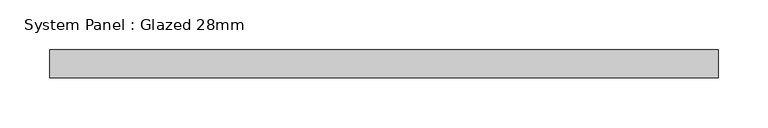
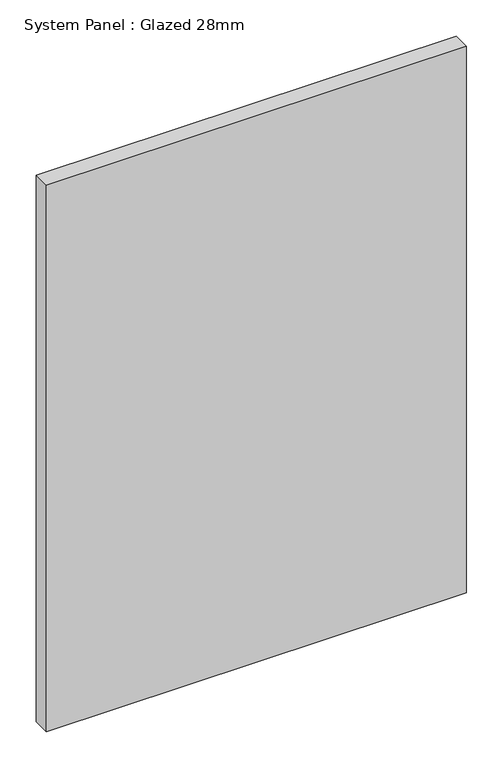
"""IFC4 building model written with IfcOpenShell, lengths in millimetres: plate geometry, System Panel : Glazed 28mm."""

import ifcopenshell
import ifcopenshell.guid

model = None  # the IFC model being written
_history = None  # IfcOwnerHistory: only IFC2X3 demands one
_inside = {}  # id of a spatial element -> (the spatial element, [elements in it])
_under = {}  # id of a project, library or spatial element -> (it, [spatial elements below it])
_declared = {}  # id of a project -> (the project, [libraries it declares])
_typed = {}  # id of a type object -> (the type object, [elements of that type])
_made_of = {}  # id of a material, layer set ... -> (it, [elements and type objects made of it])


def new_model(schema):
    """Start an empty IFC model of exactly this schema.

    Asked for "IFC4X3", IfcOpenShell would pick the latest addendum, in which some entities
    have other attributes; the version numbers below select the first issue.
    IFC2X3 requires an IfcOwnerHistory on every rooted entity: one is made here for all.
    """
    global model, _history
    if schema == "IFC4X3":
        model = ifcopenshell.file(schema_version=(4, 3, 0, 0))
    else:
        model = ifcopenshell.file(schema=schema)
    _inside.clear()
    _under.clear()
    _declared.clear()
    _typed.clear()
    _made_of.clear()
    _history = None
    if model.schema == "IFC2X3":
        org = make("IfcOrganization", Name="unknown")
        user = make(
            "IfcPersonAndOrganization",
            ThePerson=make("IfcPerson", FamilyName="unknown"),
            TheOrganization=org,
        )
        app = make(
            "IfcApplication",
            ApplicationDeveloper=org,
            Version="unknown",
            ApplicationFullName="unknown",
            ApplicationIdentifier="unknown",
        )
        _history = make(
            "IfcOwnerHistory",
            OwningUser=user,
            OwningApplication=app,
            ChangeAction="ADDED",
            CreationDate=0,
        )
    return model


def make(cls, **values):
    """One entity of the class cls with the attributes given. An attribute that is None is left unset."""
    return model.create_entity(
        cls, **{name: value for name, value in values.items() if value is not None}
    )


def rooted(cls, **values):
    """An entity with a GlobalId (a new one), such as an element, a storey or a relation."""
    return make(cls, GlobalId=ifcopenshell.guid.new(), OwnerHistory=_history, **values)


def si_unit(unit_type, name, prefix=None):
    """IfcSIUnit, for example si_unit("LENGTHUNIT", "METRE", prefix="MILLI")."""
    return make("IfcSIUnit", UnitType=unit_type, Prefix=prefix, Name=name)


def assignment(units):
    """IfcUnitAssignment: the units of a project."""
    return None if units is None else make("IfcUnitAssignment", Units=units)


def point(xyz):
    """IfcCartesianPoint."""
    return None if xyz is None else make("IfcCartesianPoint", Coordinates=xyz)


def direction(xyz):
    """IfcDirection."""
    return None if xyz is None else make("IfcDirection", DirectionRatios=xyz)


def frame(location, z_axis=None, x_axis=None):
    """IfcAxis2Placement3D, a coordinate frame: its origin and axes. An axis left out is left unset."""
    return make(
        "IfcAxis2Placement3D",
        Location=point(location),
        Axis=direction(z_axis),
        RefDirection=direction(x_axis),
    )


def origin():
    """The frame at (0, 0, 0) with its axes left unset."""
    return frame((0.0, 0.0, 0.0))


def origin_with_axes():
    """The frame at (0, 0, 0) with the z axis (0, 0, 1) and the x axis (1, 0, 0) written out."""
    return frame((0.0, 0.0, 0.0), z_axis=(0.0, 0.0, 1.0), x_axis=(1.0, 0.0, 0.0))


def place(relative_to, where):
    """IfcLocalPlacement: puts the frame where relative to a parent placement (None: the world)."""
    return make(
        "IfcLocalPlacement", PlacementRelTo=relative_to, RelativePlacement=where
    )


def context(
    kind, dimensions, precision=None, world=None, true_north=None, identifier=None
):
    """IfcGeometricRepresentationContext, for example the 3D "Model" context."""
    return make(
        "IfcGeometricRepresentationContext",
        ContextIdentifier=identifier,
        ContextType=kind,
        CoordinateSpaceDimension=dimensions,
        Precision=precision,
        WorldCoordinateSystem=world,
        TrueNorth=true_north,
    )


def project(units=None, contexts=None):
    """IfcProject with its units and contexts."""
    return rooted(
        "IfcProject",
        Name="project",
        RepresentationContexts=contexts,
        UnitsInContext=assignment(units),
    )


def spatial(cls, under=None, at=None, **own):
    """A site, building, storey or space (cls), placed at a placement, below another one or the project."""
    s = rooted(cls, ObjectPlacement=at, **own)
    if under is not None:
        _under.setdefault(under.id(), (under, []))[1].append(s)
    return s


def polyline(points):
    """IfcPolyline through the points."""
    return make("IfcPolyline", Points=[point(p) for p in points])


def outline(outer, holes=None, kind="AREA"):
    """IfcArbitraryClosedProfileDef: a profile drawn as a closed curve; with holes, ...WithVoids."""
    if holes is None:
        return make("IfcArbitraryClosedProfileDef", ProfileType=kind, OuterCurve=outer)
    return make(
        "IfcArbitraryProfileDefWithVoids",
        ProfileType=kind,
        OuterCurve=outer,
        InnerCurves=holes,
    )


def extrude(swept, where, along, depth):
    """IfcExtrudedAreaSolid: the profile swept, set in the frame where, extruded along a direction by depth."""
    return make(
        "IfcExtrudedAreaSolid",
        SweptArea=swept,
        Position=where,
        ExtrudedDirection=direction(along),
        Depth=depth,
    )


def shape(context_of_items, identifier, shape_type, items):
    """IfcShapeRepresentation: the items that make up one representation, for example the "Body"."""
    return make(
        "IfcShapeRepresentation",
        ContextOfItems=context_of_items,
        RepresentationIdentifier=identifier,
        RepresentationType=shape_type,
        Items=items,
    )


def source(mapping_origin, context_of_items, identifier, shape_type, items):
    """IfcRepresentationMap: a shape defined once, which mapped items show again and again."""
    return make(
        "IfcRepresentationMap",
        MappingOrigin=mapping_origin,
        MappedRepresentation=shape(context_of_items, identifier, shape_type, items),
    )


def transform(
    local_origin,
    x_axis=None,
    y_axis=None,
    z_axis=None,
    scale=None,
    scale2=None,
    scale3=None,
    uniform=True,
):
    """IfcCartesianTransformationOperator3D, or its non-uniform kind. x_axis, y_axis, z_axis: its Axis1, 2, 3."""
    if uniform:
        return make(
            "IfcCartesianTransformationOperator3D",
            Axis1=direction(x_axis),
            Axis2=direction(y_axis),
            LocalOrigin=point(local_origin),
            Scale=scale,
            Axis3=direction(z_axis),
        )
    return make(
        "IfcCartesianTransformationOperator3DnonUniform",
        Axis1=direction(x_axis),
        Axis2=direction(y_axis),
        LocalOrigin=point(local_origin),
        Scale=scale,
        Axis3=direction(z_axis),
        Scale2=scale2,
        Scale3=scale3,
    )


def mapped(mapping_source, mapping_target):
    """IfcMappedItem: shows the shape of a source again, moved by a transform."""
    return make(
        "IfcMappedItem", MappingSource=mapping_source, MappingTarget=mapping_target
    )


def made_of(thing, what):
    """Note that an element or type object is made of a material, layer set ...; save() writes the relation."""
    if what is not None:
        _made_of.setdefault(what.id(), (what, []))[1].append(thing)
    return thing


def element(
    cls,
    number,
    at=None,
    inside=None,
    cuts=None,
    type_object=None,
    material=None,
    context=None,
    identifier="Body",
    shape_type=None,
    held_by="IfcProductDefinitionShape",
    body=None,
    shapes=None,
    **own,
):
    """One element of the class cls, such as IfcWall. Its Tag is "e" and its number.

    at: its placement. inside: the storey or other place that contains it. cuts: it is an
    opening in that element (IfcRelVoidsElement). A single representation is given by context,
    identifier, shape_type and body (its items); several are given by shapes. held_by: the class
    of the entity that holds the representations. save() writes the other relations.
    """
    e = rooted(cls, Tag="e%d" % number, ObjectPlacement=at, **own)
    if body is not None:
        shapes = [shape(context, identifier, shape_type, body)]
    if shapes is not None:
        e.Representation = make(held_by, Representations=shapes)
    if inside is not None:
        _inside.setdefault(inside.id(), (inside, []))[1].append(e)
    if cuts is not None:
        rooted(
            "IfcRelVoidsElement", RelatingBuildingElement=cuts, RelatedOpeningElement=e
        )
    if type_object is not None:
        _typed.setdefault(type_object.id(), (type_object, []))[1].append(e)
    return made_of(e, material)


def aggregate(whole, parts):
    """IfcRelAggregates: a whole, such as a stair, and the parts it consists of."""
    return rooted("IfcRelAggregates", RelatingObject=whole, RelatedObjects=parts)


def save(model, path):
    """Write the relations noted so far, then the file.

    IfcRelAggregates (storeys below a building ...), IfcRelContainedInSpatialStructure (elements
    in a storey), IfcRelDefinesByType, IfcRelAssociatesMaterial and IfcRelDeclares: one each for
    every whole, place, type object, material and project.
    """
    for whole, parts in _under.values():
        aggregate(whole, parts)
    for where, things in _inside.values():
        rooted(
            "IfcRelContainedInSpatialStructure",
            RelatedElements=things,
            RelatingStructure=where,
        )
    for kind, things in _typed.values():
        rooted("IfcRelDefinesByType", RelatedObjects=things, RelatingType=kind)
    for what, things in _made_of.values():
        rooted("IfcRelAssociatesMaterial", RelatedObjects=things, RelatingMaterial=what)
    for by, libraries in _declared.values():
        rooted("IfcRelDeclares", RelatingContext=by, RelatedDefinitions=libraries)
    model.write(path)


def system_panel_glazed_28mm_ee1f87b7(model_context):
    return source(origin(), model_context, "Body", "SweptSolid", [
        extrude(outline(polyline([(334.7679696, -14.0), (-334.7679696, -14.0), (-334.7679696, 14.0), (334.7679696, 14.0), (334.7679696, -14.0)])), origin_with_axes(), (0.0, 0.0, 1.0), 920.5988795),
    ])


if __name__ == "__main__":
    model = new_model("IFC4")
    model_context = context("Model", 3, world=origin())
    ifc_project = project(units=[si_unit("LENGTHUNIT", "METRE", prefix="MILLI")], contexts=[model_context])
    site = spatial("IfcSite", under=ifc_project)
    building = spatial("IfcBuilding", under=site)
    placement = place(None, origin())
    system_panel_glazed_28mm_shape = system_panel_glazed_28mm_ee1f87b7(model_context)
    element("IfcPlate", 1, ObjectType="System Panel : Glazed 28mm", at=placement, inside=building, context=model_context, shape_type="MappedRepresentation", body=[
        mapped(system_panel_glazed_28mm_shape, transform((0.0, 0.0, 0.0), x_axis=(1.0, 0.0, 0.0), y_axis=(0.0, 1.0, 0.0), z_axis=(0.0, 0.0, 1.0))),
    ])
    save(model, "model.ifc")
